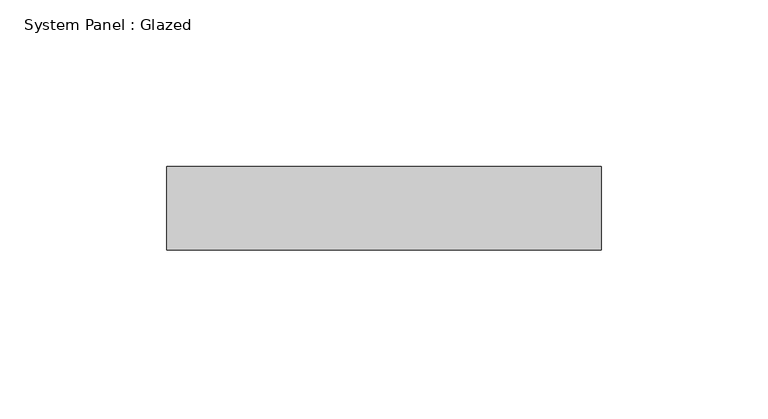
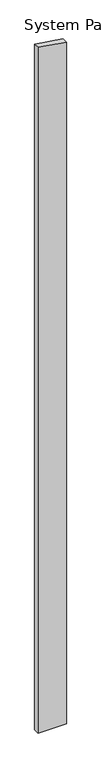
"""IFC4 building model written with IfcOpenShell, lengths in millimetres: plate geometry, System Panel : Glazed."""

import ifcopenshell
import ifcopenshell.guid

model = None  # the IFC model being written
_history = None  # IfcOwnerHistory: only IFC2X3 demands one
_inside = {}  # id of a spatial element -> (the spatial element, [elements in it])
_under = {}  # id of a project, library or spatial element -> (it, [spatial elements below it])
_declared = {}  # id of a project -> (the project, [libraries it declares])
_typed = {}  # id of a type object -> (the type object, [elements of that type])
_made_of = {}  # id of a material, layer set ... -> (it, [elements and type objects made of it])


def new_model(schema):
    """Start an empty IFC model of exactly this schema.

    Asked for "IFC4X3", IfcOpenShell would pick the latest addendum, in which some entities
    have other attributes; the version numbers below select the first issue.
    IFC2X3 requires an IfcOwnerHistory on every rooted entity: one is made here for all.
    """
    global model, _history
    if schema == "IFC4X3":
        model = ifcopenshell.file(schema_version=(4, 3, 0, 0))
    else:
        model = ifcopenshell.file(schema=schema)
    _inside.clear()
    _under.clear()
    _declared.clear()
    _typed.clear()
    _made_of.clear()
    _history = None
    if model.schema == "IFC2X3":
        org = make("IfcOrganization", Name="unknown")
        user = make(
            "IfcPersonAndOrganization",
            ThePerson=make("IfcPerson", FamilyName="unknown"),
            TheOrganization=org,
        )
        app = make(
            "IfcApplication",
            ApplicationDeveloper=org,
            Version="unknown",
            ApplicationFullName="unknown",
            ApplicationIdentifier="unknown",
        )
        _history = make(
            "IfcOwnerHistory",
            OwningUser=user,
            OwningApplication=app,
            ChangeAction="ADDED",
            CreationDate=0,
        )
    return model


def make(cls, **values):
    """One entity of the class cls with the attributes given. An attribute that is None is left unset."""
    return model.create_entity(
        cls, **{name: value for name, value in values.items() if value is not None}
    )


def rooted(cls, **values):
    """An entity with a GlobalId (a new one), such as an element, a storey or a relation."""
    return make(cls, GlobalId=ifcopenshell.guid.new(), OwnerHistory=_history, **values)


def si_unit(unit_type, name, prefix=None):
    """IfcSIUnit, for example si_unit("LENGTHUNIT", "METRE", prefix="MILLI")."""
    return make("IfcSIUnit", UnitType=unit_type, Prefix=prefix, Name=name)


def assignment(units):
    """IfcUnitAssignment: the units of a project."""
    return None if units is None else make("IfcUnitAssignment", Units=units)


def point(xyz):
    """IfcCartesianPoint."""
    return None if xyz is None else make("IfcCartesianPoint", Coordinates=xyz)


def direction(xyz):
    """IfcDirection."""
    return None if xyz is None else make("IfcDirection", DirectionRatios=xyz)


def frame(location, z_axis=None, x_axis=None):
    """IfcAxis2Placement3D, a coordinate frame: its origin and axes. An axis left out is left unset."""
    return make(
        "IfcAxis2Placement3D",
        Location=point(location),
        Axis=direction(z_axis),
        RefDirection=direction(x_axis),
    )


def origin():
    """The frame at (0, 0, 0) with its axes left unset."""
    return frame((0.0, 0.0, 0.0))


def place(relative_to, where):
    """IfcLocalPlacement: puts the frame where relative to a parent placement (None: the world)."""
    return make(
        "IfcLocalPlacement", PlacementRelTo=relative_to, RelativePlacement=where
    )


def context(
    kind, dimensions, precision=None, world=None, true_north=None, identifier=None
):
    """IfcGeometricRepresentationContext, for example the 3D "Model" context."""
    return make(
        "IfcGeometricRepresentationContext",
        ContextIdentifier=identifier,
        ContextType=kind,
        CoordinateSpaceDimension=dimensions,
        Precision=precision,
        WorldCoordinateSystem=world,
        TrueNorth=true_north,
    )


def project(units=None, contexts=None):
    """IfcProject with its units and contexts."""
    return rooted(
        "IfcProject",
        Name="project",
        RepresentationContexts=contexts,
        UnitsInContext=assignment(units),
    )


def spatial(cls, under=None, at=None, **own):
    """A site, building, storey or space (cls), placed at a placement, below another one or the project."""
    s = rooted(cls, ObjectPlacement=at, **own)
    if under is not None:
        _under.setdefault(under.id(), (under, []))[1].append(s)
    return s


def polyline(points):
    """IfcPolyline through the points."""
    return make("IfcPolyline", Points=[point(p) for p in points])


def outline(outer, holes=None, kind="AREA"):
    """IfcArbitraryClosedProfileDef: a profile drawn as a closed curve; with holes, ...WithVoids."""
    if holes is None:
        return make("IfcArbitraryClosedProfileDef", ProfileType=kind, OuterCurve=outer)
    return make(
        "IfcArbitraryProfileDefWithVoids",
        ProfileType=kind,
        OuterCurve=outer,
        InnerCurves=holes,
    )


def extrude(swept, where, along, depth):
    """IfcExtrudedAreaSolid: the profile swept, set in the frame where, extruded along a direction by depth."""
    return make(
        "IfcExtrudedAreaSolid",
        SweptArea=swept,
        Position=where,
        ExtrudedDirection=direction(along),
        Depth=depth,
    )


def shape(context_of_items, identifier, shape_type, items):
    """IfcShapeRepresentation: the items that make up one representation, for example the "Body"."""
    return make(
        "IfcShapeRepresentation",
        ContextOfItems=context_of_items,
        RepresentationIdentifier=identifier,
        RepresentationType=shape_type,
        Items=items,
    )


def source(mapping_origin, context_of_items, identifier, shape_type, items):
    """IfcRepresentationMap: a shape defined once, which mapped items show again and again."""
    return make(
        "IfcRepresentationMap",
        MappingOrigin=mapping_origin,
        MappedRepresentation=shape(context_of_items, identifier, shape_type, items),
    )


def transform(
    local_origin,
    x_axis=None,
    y_axis=None,
    z_axis=None,
    scale=None,
    scale2=None,
    scale3=None,
    uniform=True,
):
    """IfcCartesianTransformationOperator3D, or its non-uniform kind. x_axis, y_axis, z_axis: its Axis1, 2, 3."""
    if uniform:
        return make(
            "IfcCartesianTransformationOperator3D",
            Axis1=direction(x_axis),
            Axis2=direction(y_axis),
            LocalOrigin=point(local_origin),
            Scale=scale,
            Axis3=direction(z_axis),
        )
    return make(
        "IfcCartesianTransformationOperator3DnonUniform",
        Axis1=direction(x_axis),
        Axis2=direction(y_axis),
        LocalOrigin=point(local_origin),
        Scale=scale,
        Axis3=direction(z_axis),
        Scale2=scale2,
        Scale3=scale3,
    )


def mapped(mapping_source, mapping_target):
    """IfcMappedItem: shows the shape of a source again, moved by a transform."""
    return make(
        "IfcMappedItem", MappingSource=mapping_source, MappingTarget=mapping_target
    )


def made_of(thing, what):
    """Note that an element or type object is made of a material, layer set ...; save() writes the relation."""
    if what is not None:
        _made_of.setdefault(what.id(), (what, []))[1].append(thing)
    return thing


def element(
    cls,
    number,
    at=None,
    inside=None,
    cuts=None,
    type_object=None,
    material=None,
    context=None,
    identifier="Body",
    shape_type=None,
    held_by="IfcProductDefinitionShape",
    body=None,
    shapes=None,
    **own,
):
    """One element of the class cls, such as IfcWall. Its Tag is "e" and its number.

    at: its placement. inside: the storey or other place that contains it. cuts: it is an
    opening in that element (IfcRelVoidsElement). A single representation is given by context,
    identifier, shape_type and body (its items); several are given by shapes. held_by: the class
    of the entity that holds the representations. save() writes the other relations.
    """
    e = rooted(cls, Tag="e%d" % number, ObjectPlacement=at, **own)
    if body is not None:
        shapes = [shape(context, identifier, shape_type, body)]
    if shapes is not None:
        e.Representation = make(held_by, Representations=shapes)
    if inside is not None:
        _inside.setdefault(inside.id(), (inside, []))[1].append(e)
    if cuts is not None:
        rooted(
            "IfcRelVoidsElement", RelatingBuildingElement=cuts, RelatedOpeningElement=e
        )
    if type_object is not None:
        _typed.setdefault(type_object.id(), (type_object, []))[1].append(e)
    return made_of(e, material)


def aggregate(whole, parts):
    """IfcRelAggregates: a whole, such as a stair, and the parts it consists of."""
    return rooted("IfcRelAggregates", RelatingObject=whole, RelatedObjects=parts)


def save(model, path):
    """Write the relations noted so far, then the file.

    IfcRelAggregates (storeys below a building ...), IfcRelContainedInSpatialStructure (elements
    in a storey), IfcRelDefinesByType, IfcRelAssociatesMaterial and IfcRelDeclares: one each for
    every whole, place, type object, material and project.
    """
    for whole, parts in _under.values():
        aggregate(whole, parts)
    for where, things in _inside.values():
        rooted(
            "IfcRelContainedInSpatialStructure",
            RelatedElements=things,
            RelatingStructure=where,
        )
    for kind, things in _typed.values():
        rooted("IfcRelDefinesByType", RelatedObjects=things, RelatingType=kind)
    for what, things in _made_of.values():
        rooted("IfcRelAssociatesMaterial", RelatedObjects=things, RelatingMaterial=what)
    for by, libraries in _declared.values():
        rooted("IfcRelDeclares", RelatingContext=by, RelatedDefinitions=libraries)
    model.write(path)


def system_panel_glazed_84535259(model_context):
    return source(origin(), model_context, "Body", "SweptSolid", [
        extrude(outline(polyline([(0.0, -65.0), (0.0, 65.0), (3289.7113399, 65.0), (3308.9617782, -65.0), (0.0, -65.0)])), frame((0.0, 24.5, 0.0), z_axis=(0.0, 1.0, 0.0), x_axis=(0.0, 0.0, 1.0)), (0.0, 0.0, 1.0), 25.0),
    ])


if __name__ == "__main__":
    model = new_model("IFC4")
    model_context = context("Model", 3, world=origin())
    ifc_project = project(units=[si_unit("LENGTHUNIT", "METRE", prefix="MILLI")], contexts=[model_context])
    site = spatial("IfcSite", under=ifc_project)
    building = spatial("IfcBuilding", under=site)
    placement = place(None, origin())
    system_panel_glazed_shape = system_panel_glazed_84535259(model_context)
    element("IfcPlate", 1, ObjectType="System Panel : Glazed", at=placement, inside=building, context=model_context, shape_type="MappedRepresentation", body=[
        mapped(system_panel_glazed_shape, transform((0.0, 0.0, 0.0), x_axis=(1.0, 0.0, 0.0), y_axis=(0.0, 1.0, 0.0), z_axis=(0.0, 0.0, 1.0))),
    ])
    save(model, "model.ifc")
